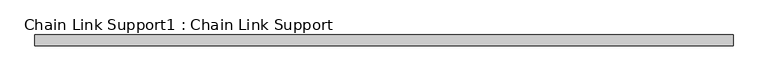
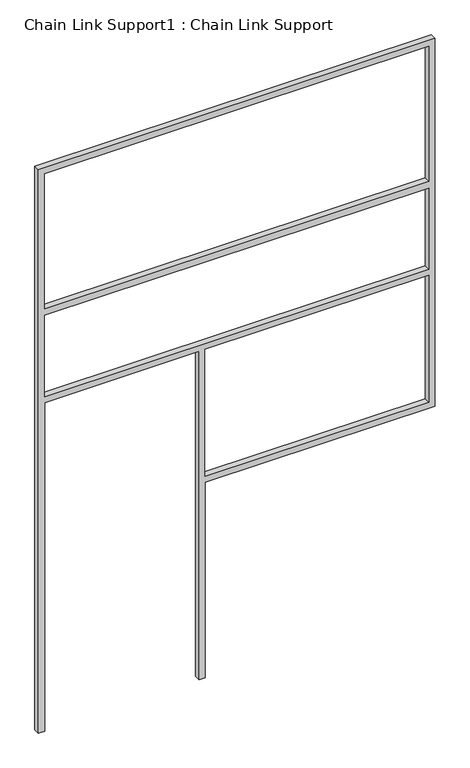
"""IFC4 building model written with IfcOpenShell, lengths in millimetres: proxy geometry, Chain Link Support1 : Chain Link Support."""

from ifc_helpers import new_model, si_unit, frame, origin, place, context, project, spatial, polyline, outline, extrude, source, transform, mapped, element, save


def chain_link_support1_chain_link_support_72497c27(model_context):
    return source(origin(), model_context, "Body", "SweptSolid", [
        extrude(outline(polyline([(3657.6, -29704.0868371), (0.0, -29704.0868371), (0.0, -29665.9868371), (2133.6, -29665.9868371), (2133.6, -28716.6618371), (0.0, -28716.6618371), (0.0, -28678.5618371), (1270.0, -28678.5618371), (1270.0, -27265.6868371), (3657.6, -27265.6868371), (3657.6, -29704.0868371)]), holes=[polyline([(2743.2, -29665.9868371), (3619.5, -29665.9868371), (3619.5, -27303.7868371), (2743.2, -27303.7868371), (2743.2, -29665.9868371)]), polyline([(1308.1, -27303.7868371), (1308.1, -28678.5618371), (2133.6, -28678.5618371), (2133.6, -27303.7868371), (1308.1, -27303.7868371)]), polyline([(2171.7, -29665.9868371), (2698.75, -29665.9868371), (2698.75, -27303.7868371), (2171.7, -27303.7868371), (2171.7, -29665.9868371)])]), frame((0.0, 17069.4163978, 0.0), z_axis=(0.0, 1.0, 0.0), x_axis=(0.0, 0.0, 1.0)), (0.0, 0.0, 1.0), 38.1),
    ])


if __name__ == "__main__":
    model = new_model("IFC4")
    model_context = context("Model", 3, world=origin())
    ifc_project = project(units=[si_unit("LENGTHUNIT", "METRE", prefix="MILLI")], contexts=[model_context])
    site = spatial("IfcSite", under=ifc_project)
    building = spatial("IfcBuilding", under=site)
    placement = place(None, origin())
    chain_link_support1_chain_link_support_shape = chain_link_support1_chain_link_support_72497c27(model_context)
    element("IfcBuildingElementProxy", 1, Name="Chain Link Support1 : Chain Link Support", ObjectType="Chain Link Support1 : Chain Link Support", at=placement, inside=building, context=model_context, shape_type="MappedRepresentation", body=[
        mapped(chain_link_support1_chain_link_support_shape, transform((0.0, 0.0, 0.0), x_axis=(1.0, 0.0, 0.0), y_axis=(0.0, 1.0, 0.0), z_axis=(0.0, 0.0, 1.0))),
    ])
    save(model, "model.ifc")
